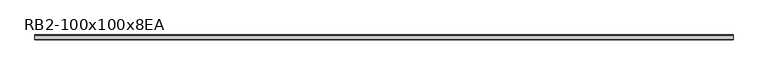
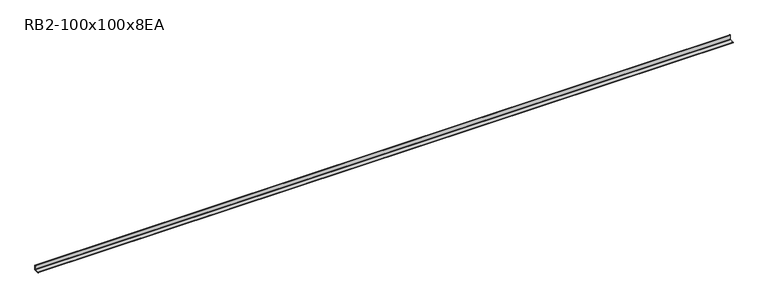
"""IFC4 building model written with IfcOpenShell, lengths in millimetres: member geometry, RB2-100x100x8EA."""

from ifc_helpers import new_model, si_unit, point, frame, frame_2d, origin, place, context, project, spatial, polyline, circle_curve, trimmed, segment, composite_curve, outline, extrude, source, transform, mapped, element, save


def rb2_100x100x8ea_92250d46(model_context):
    return source(origin(), model_context, "Body", "SweptSolid", [
        extrude(outline(composite_curve([segment(polyline([(27.5, -27.5), (-72.5, -27.5), (-72.5, -24.5)]), True, "CONTINUOUS"), segment(trimmed(circle_curve(frame_2d((-67.5, -24.5)), 5.0), [point((-72.5, -24.5))], [point((-67.5, -19.5))], False, "CARTESIAN"), True, "CONTINUOUS"), segment(polyline([(-67.5, -19.5), (11.5, -19.5)]), True, "CONTINUOUS"), segment(trimmed(circle_curve(frame_2d((11.5, -11.5)), 8.0), [point((11.5, -19.5))], [point((19.5, -11.5))], True, "CARTESIAN"), True, "CONTINUOUS"), segment(polyline([(19.5, -11.5), (19.5, 67.5)]), True, "CONTINUOUS"), segment(trimmed(circle_curve(frame_2d((24.5, 67.5)), 5.0), [point((19.5, 67.5))], [point((24.5, 72.5))], False, "CARTESIAN"), True, "CONTINUOUS"), segment(polyline([(24.5, 72.5), (27.5, 72.5), (27.5, -27.5)]), True, "CONTINUOUS")], self_intersect=False)), frame((-7006.5, 0.0, 0.0), z_axis=(1.0, 0.0, 0.0), x_axis=(0.0, 1.0, 0.0)), (0.0, 0.0, 1.0), 13836.0),
    ])


if __name__ == "__main__":
    model = new_model("IFC4")
    model_context = context("Model", 3, world=origin())
    ifc_project = project(units=[si_unit("LENGTHUNIT", "METRE", prefix="MILLI")], contexts=[model_context])
    site = spatial("IfcSite", under=ifc_project)
    building = spatial("IfcBuilding", under=site)
    placement = place(None, origin())
    rb2_100x100x8ea_shape = rb2_100x100x8ea_92250d46(model_context)
    element("IfcMember", 1, ObjectType="RB2-100x100x8EA", at=placement, inside=building, context=model_context, shape_type="MappedRepresentation", body=[
        mapped(rb2_100x100x8ea_shape, transform((0.0, 0.0, 0.0), x_axis=(1.0, 0.0, 0.0), y_axis=(0.0, 1.0, 0.0), z_axis=(0.0, 0.0, 1.0))),
    ])
    save(model, "model.ifc")
